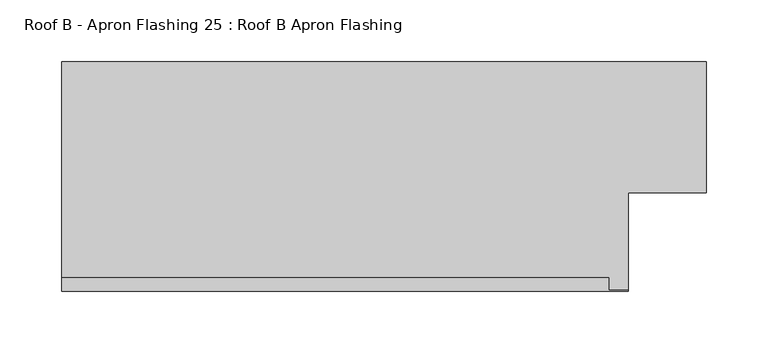
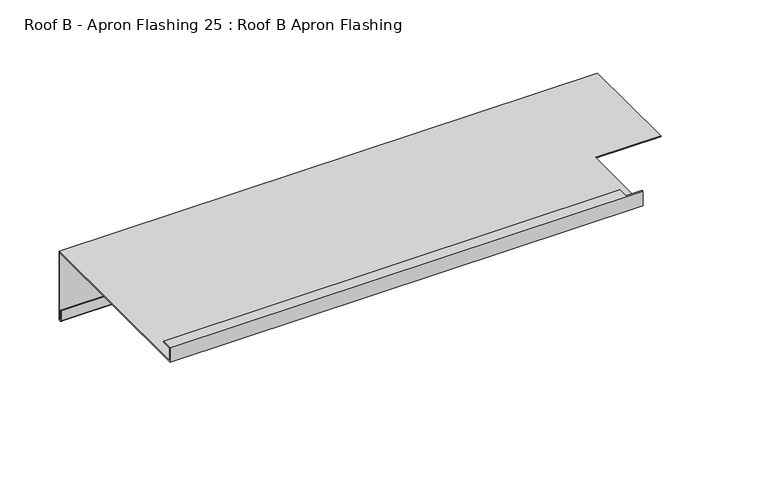
"""IFC4 building model written with IfcOpenShell, lengths in millimetres: proxy geometry, Roof B - Apron Flashing 25 : Roof B Apron Flashing."""

from ifc_helpers import new_model, si_unit, frame, origin, place, context, project, spatial, polyline, circle_curve, source, transform, mapped, element, save
from ifc_brep_helpers import plane_surface, cylinder_surface, revolved_surface, advanced_brep


def roof_b_apron_flashing_25_roof_b_apron_flashing_09593453(model_context):
    return source(origin(), model_context, "Body", "AdvancedBrep", [
        advanced_brep(
        [(17490.7910961, 10655.8026399, -986.662203), (17490.7910961, 10655.8026399, -1055.0764166), (17490.7910961, 10654.8026399, -1055.0764166), (17490.7910961, 10654.8026399, -1045.1233066), (17490.7910961, 10653.8026399, -1045.1233066), (17490.7910961, 10653.8026399, -1055.0764166), (17490.7910961, 10656.8026399, -1055.0764166), (17490.7910961, 10656.8026399, -985.662203), (17490.7910961, 10550.3594915, -985.662203), (17490.7910961, 10550.3594915, -986.662203), (16967.4791786, 10656.8026399, -985.662203), (16967.4791786, 10656.8026399, -1055.0764166), (16967.4791786, 10653.8026399, -1055.0764166), (16967.4791786, 10653.8026399, -1045.1233066), (16967.4791786, 10654.8026399, -1045.1233066), (16967.4791786, 10654.8026399, -1055.0764166), (16967.4791786, 10655.8026399, -1055.0764166), (16967.4791786, 10655.8026399, -986.662203), (16967.4791786, 10470.3615096, -986.662203), (16967.4791786, 10470.3615096, -971.662203), (16967.4791786, 10481.3998223, -971.662203), (16967.4791786, 10481.3998223, -972.662203), (16967.4791786, 10471.3615096, -972.662203), (16967.4791786, 10471.3615096, -985.662203), (17427.4791786, 10471.3615096, -985.662203), (17427.4791786, 10550.3594915, -985.662203), (17427.4791786, 10550.3594915, -986.662203), (17427.4791786, 10470.3615096, -986.662203), (17411.3516031, 10471.3615096, -972.662203), (17411.3516031, 10471.3615096, -971.662203), (17427.4791786, 10471.3615096, -971.662203), (17411.3516031, 10481.3998223, -972.662203), (17411.3516031, 10481.3998223, -971.662203), (17427.4791786, 10470.3615096, -971.662203)],
        [
            (0, 1),
            (1, 2, circle_curve(frame((17490.7910961, 10655.3026399, -1055.0764166), z_axis=(-1.0, 0.0, 0.0), x_axis=(0.0, 0.0, 1.0)), 0.5)),
            (2, 3),
            (3, 4),
            (4, 5),
            (5, 6, circle_curve(frame((17490.7910961, 10655.3026399, -1055.0764166), z_axis=(1.0, 0.0, 0.0), x_axis=(0.0, 0.0, 1.0)), 1.5)),
            (6, 7),
            (7, 8),
            (8, 9),
            (9, 0),
            (10, 11),
            (11, 12, circle_curve(frame((16967.4791786, 10655.3026399, -1055.0764166), z_axis=(-1.0, 0.0, 0.0), x_axis=(0.0, 0.0, 1.0)), 1.5)),
            (12, 13),
            (13, 14),
            (14, 15),
            (15, 16, circle_curve(frame((16967.4791786, 10655.3026399, -1055.0764166), z_axis=(1.0, 0.0, 0.0), x_axis=(0.0, 0.0, 1.0)), 0.5)),
            (16, 17),
            (17, 18),
            (18, 19),
            (19, 20),
            (20, 21),
            (21, 22),
            (22, 23),
            (23, 10),
            (23, 24),
            (24, 25),
            (25, 8),
            (7, 10),
            (17, 0),
            (9, 26),
            (26, 27),
            (27, 18),
            (16, 1),
            (6, 11),
            (22, 28),
            (28, 29),
            (29, 30),
            (30, 24),
            (21, 31),
            (31, 28),
            (20, 32),
            (32, 31),
            (19, 33),
            (33, 30),
            (29, 32),
            (27, 33),
            (15, 2),
            (14, 3),
            (13, 4),
            (12, 5),
            (26, 25),
        ],
        [
            plane_surface(frame((17490.7910961, 10462.3294164, -1042.7388515), z_axis=(1.0, 0.0, 0.0), x_axis=(0.0, 1.0, 0.0))),
            plane_surface(frame((16967.4791786, 10462.3294164, -1042.7388515), z_axis=(-1.0, 0.0, 0.0), x_axis=(0.0, 1.0, 0.0))),
            plane_surface(frame((17490.7910961, 10656.8026399, -985.662203), z_axis=(0.0, 0.0, 1.0), x_axis=(-1.0, 0.0, 0.0))),
            plane_surface(frame((17490.7910961, 10470.3615096, -986.662203), z_axis=(0.0, 0.0, -1.0), x_axis=(-1.0, 0.0, 0.0))),
            plane_surface(frame((17490.7910961, 10655.8026399, -986.662203), z_axis=(0.0, -1.0, 0.0), x_axis=(-1.0, 0.0, 0.0))),
            plane_surface(frame((17490.7910961, 10656.8026399, -1055.0764166), z_axis=(0.0, 1.0, 0.0), x_axis=(-1.0, 0.0, 0.0))),
            plane_surface(frame((17490.7910961, 10471.3615096, -985.662203), z_axis=(0.0, 1.0, 0.0), x_axis=(-1.0, 0.0, 0.0))),
            plane_surface(frame((17490.7910961, 10471.3615096, -972.662203), z_axis=(0.0, 0.0, -1.0), x_axis=(-1.0, 0.0, 0.0))),
            plane_surface(frame((17490.7910961, 10481.3998223, -972.662203), z_axis=(0.0, 1.0, 0.0), x_axis=(-1.0, 0.0, 0.0))),
            plane_surface(frame((17490.7910961, 10481.3998223, -971.662203), z_axis=(0.0, 0.0, 1.0), x_axis=(-1.0, 0.0, 0.0))),
            plane_surface(frame((17490.7910961, 10470.3615096, -971.662203), z_axis=(0.0, -1.0, 0.0), x_axis=(-1.0, 0.0, 0.0))),
            revolved_surface(polyline([(16967.4791786, 10655.3026399, -1054.5764166), (17490.7910961, 10655.3026399, -1054.5764166)]), (17490.7910961, 10655.3026399, -1055.0764166), (-1.0, 0.0, 0.0)),
            plane_surface(frame((17490.7910961, 10654.8026399, -1055.0764166), z_axis=(0.0, 1.0, 0.0), x_axis=(-1.0, 0.0, 0.0))),
            plane_surface(frame((17490.7910961, 10654.8026399, -1045.1233066), z_axis=(0.0, 0.0, 1.0), x_axis=(-1.0, 0.0, 0.0))),
            plane_surface(frame((17490.7910961, 10653.8026399, -1045.1233066), z_axis=(0.0, -1.0, 0.0), x_axis=(-1.0, 0.0, 0.0))),
            cylinder_surface(frame((17490.7910961, 10655.3026399, -1055.0764166), z_axis=(1.0, 0.0, 0.0), x_axis=(0.0, 0.0, 1.0)), 1.5),
            plane_surface(frame((17427.4791786, 10550.3594915, -1079.9089722), z_axis=(1.0, 0.0, 0.0), x_axis=(0.0, -0.9659258262890683, 0.25881904510252074))),
            plane_surface(frame((17427.4791786, 10550.3594915, -852.4830665), z_axis=(0.0, -1.0, 0.0), x_axis=(1.0, 0.0, 0.0))),
            plane_surface(frame((17411.3516031, 10471.3615603, -884.3834078), z_axis=(1.0, 0.0, 0.0), x_axis=(0.0, 0.0, -1.0))),
        ],
        [
            (0, [[1, 2, 3, 4, 5, 6, 7, 8, 9, 10]]),
            (1, [[11, 12, 13, 14, 15, 16, 17, 18, 19, 20, 21, 22, 23, 24]]),
            (2, [[-24, 25, 26, 27, -8, 28]]),
            (3, [[-18, 29, -10, 30, 31, 32]]),
            (4, [[-1, -29, -17, 33]]),
            (5, [[-7, 34, -11, -28]]),
            (6, [[-23, 35, 36, 37, 38, -25]]),
            (7, [[-22, 39, 40, -35]]),
            (8, [[-21, 41, 42, -39]]),
            (9, [[-20, 43, 44, -37, 45, -41]]),
            (10, [[-19, -32, 46, -43]]),
            (11, [[-2, -33, -16, 47]]),
            (12, [[-3, -47, -15, 48]]),
            (13, [[-4, -48, -14, 49]]),
            (14, [[-5, -49, -13, 50]]),
            (15, [[-6, -50, -12, -34]]),
            (16, [[51, -26, -38, -44, -46, -31]]),
            (17, [[-51, -30, -9, -27]]),
            (18, [[-36, -40, -42, -45]]),
        ],
    ),
    ])


if __name__ == "__main__":
    model = new_model("IFC4")
    model_context = context("Model", 3, world=origin())
    ifc_project = project(units=[si_unit("LENGTHUNIT", "METRE", prefix="MILLI")], contexts=[model_context])
    site = spatial("IfcSite", under=ifc_project)
    building = spatial("IfcBuilding", under=site)
    placement = place(None, origin())
    roof_b_apron_flashing_25_roof_b_apron_flashing_shape = roof_b_apron_flashing_25_roof_b_apron_flashing_09593453(model_context)
    element("IfcBuildingElementProxy", 1, Name="Roof B - Apron Flashing 25 : Roof B Apron Flashing", ObjectType="Roof B - Apron Flashing 25 : Roof B Apron Flashing", at=placement, inside=building, context=model_context, shape_type="MappedRepresentation", body=[
        mapped(roof_b_apron_flashing_25_roof_b_apron_flashing_shape, transform((0.0, 0.0, 0.0), x_axis=(1.0, 0.0, 0.0), y_axis=(0.0, 1.0, 0.0), z_axis=(0.0, 0.0, 1.0))),
    ])
    save(model, "model.ifc")
